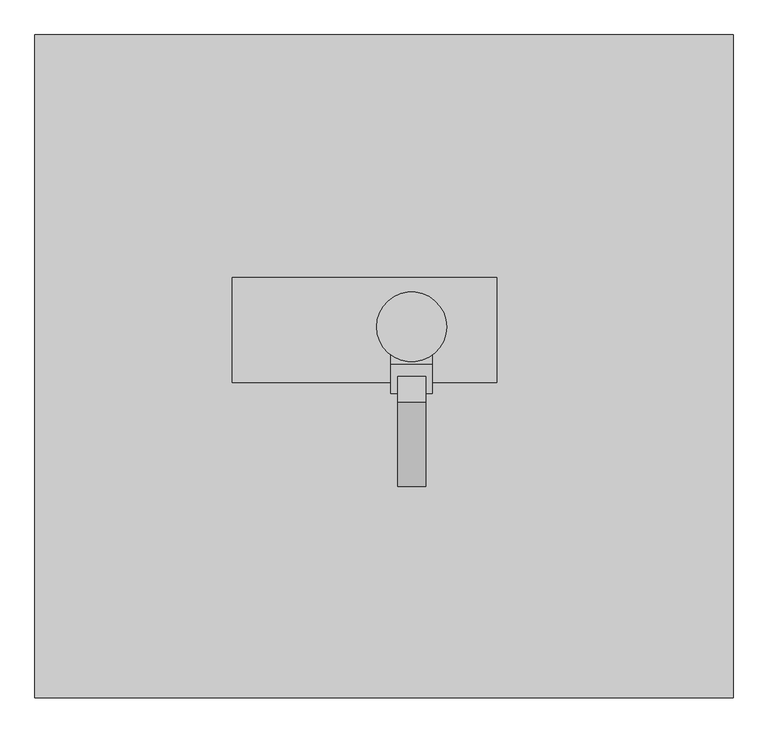
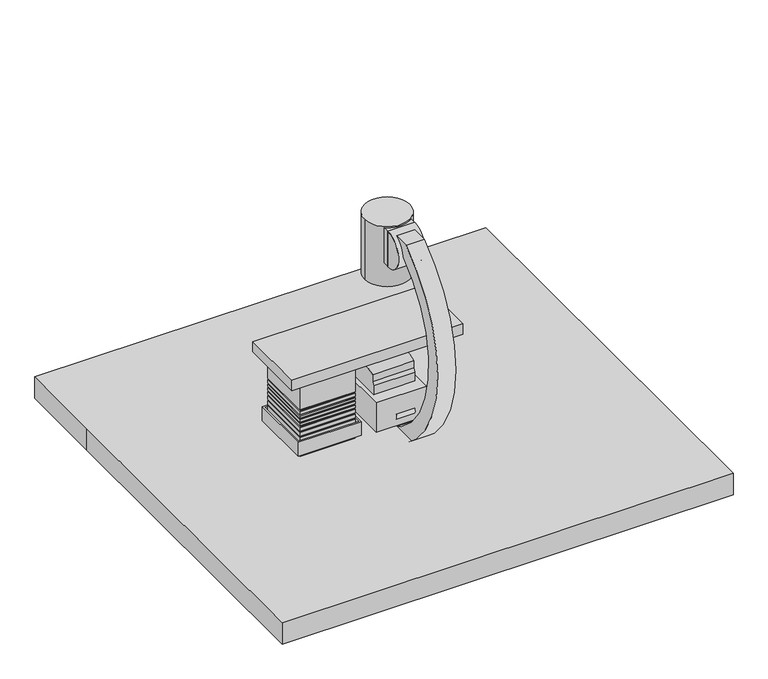
"""IFC4 building model written with IfcOpenShell, lengths in millimetres: proxy geometry."""

from ifc_helpers import new_model, si_unit, point, frame, frame_2d, origin, origin_with_axes, place, context, project, spatial, polyline, circle_curve, trimmed, segment, composite_curve, outline, extrude, faceted_brep, source, transform, mapped, element, save


def specialty_equipment_460810b5(model_context):
    return source(origin(), model_context, "Body", "SolidModel", [
        faceted_brep([(-427.9352872, -1738.6209262, 1347.7084524), (-427.9352872, -1738.6209262, 971.4619431), (-427.9352872, -1722.5019348, 971.4619431), (-427.9352872, -1722.5019348, 947.1090733), (-427.9352872, -1738.6209262, 947.1090733), (-427.9352872, -1738.6209262, 906.3232863), (-427.9352872, -1722.5019348, 906.3232863), (-427.9352872, -1722.5019348, 884.3512465), (-427.9352872, -1738.6209262, 884.3512465), (-427.9352872, -1738.6209262, 852.9626184), (-427.9352872, -1722.5019348, 852.9626184), (-427.9352872, -1722.5019348, 830.9905786), (-427.9352872, -1738.6209262, 830.9905786), (-427.9352872, -1738.6209262, 799.6019504), (-427.9352872, -1722.5019348, 799.6019504), (-427.9352872, -1722.5019348, 774.4910479), (-427.9352872, -1738.6209262, 774.4910479), (-427.9352872, -1738.6209262, 743.1024197), (-427.9352872, -1722.5019348, 743.1024197), (-427.9352872, -1722.5019348, 717.9915171), (-427.9352872, -1738.6209262, 717.9915171), (-427.9352872, -1738.6209262, 670.9085748), (-427.9352872, -1722.5019348, 670.9085748), (-427.9352872, -1722.5019348, 645.7976723), (-427.9352872, -1738.6209262, 645.7976723), (-427.9352872, -1738.6209262, 595.5758672), (-427.9352872, -1722.5019348, 595.5758672), (-427.9352872, -1722.5019348, 573.6038274), (-427.9352872, -1738.6209262, 573.6038274), (-427.9352872, -1738.6209262, 62.2185819), (-427.9352872, -985.8011882, 62.2185819), (-427.9352872, -985.8011882, 573.6038274), (-427.9352872, -1004.9519348, 573.6038274), (-427.9352872, -1004.9519348, 595.5758672), (-427.9352872, -985.8011882, 595.5758672), (-427.9352872, -985.8011882, 645.7976723), (-427.9352872, -1004.9519348, 645.7976723), (-427.9352872, -1004.9519348, 670.9085748), (-427.9352872, -985.8011882, 670.9085748), (-427.9352872, -985.8011882, 717.9915171), (-427.9352872, -1004.9519348, 717.9915171), (-427.9352872, -1004.9519348, 743.1024197), (-427.9352872, -985.8011882, 743.1024197), (-427.9352872, -985.8011882, 774.4910479), (-427.9352872, -1004.9519348, 774.4910479), (-427.9352872, -1004.9519348, 799.6019504), (-427.9352872, -985.8011882, 799.6019504), (-427.9352872, -985.8011882, 830.9905786), (-427.9352872, -1004.9519348, 830.9905786), (-427.9352872, -1004.9519348, 852.9626184), (-427.9352872, -985.8011882, 852.9626184), (-427.9352872, -985.8011882, 884.3512465), (-427.9352872, -1004.9519348, 884.3512465), (-427.9352872, -1004.9519348, 906.3232863), (-427.9352872, -985.8011882, 906.3232863), (-427.9352872, -985.8011882, 947.1090733), (-427.9352872, -1004.9519348, 947.1090733), (-427.9352872, -1004.9519348, 971.4619431), (-427.9352872, -985.8011882, 971.4619431), (-427.9352872, -985.8011882, 1347.7084524), (-1176.2609452, -1738.6209262, 62.2185819), (-1176.2609452, -1738.6209262, 573.6038274), (-1176.2609452, -985.8011882, 573.6038274), (-1176.2609452, -985.8011882, 62.2185819), (-1176.2609452, -985.8011882, 1347.7084524), (-1176.2609452, -985.8011882, 971.4619431), (-1176.2609452, -1738.6209262, 971.4619431), (-1176.2609452, -1738.6209262, 1347.7084524), (-1176.2609452, -985.8011882, 947.1090733), (-1176.2609452, -985.8011882, 906.3232863), (-1176.2609452, -1738.6209262, 906.3232863), (-1176.2609452, -1738.6209262, 947.1090733), (-1176.2609452, -985.8011882, 884.3512465), (-1176.2609452, -985.8011882, 852.9626184), (-1176.2609452, -1738.6209262, 852.9626184), (-1176.2609452, -1738.6209262, 884.3512465), (-1176.2609452, -985.8011882, 830.9905786), (-1176.2609452, -985.8011882, 799.6019504), (-1176.2609452, -1738.6209262, 799.6019504), (-1176.2609452, -1738.6209262, 830.9905786), (-1176.2609452, -1738.6209262, 595.5758672), (-1176.2609452, -1738.6209262, 645.7976723), (-1176.2609452, -985.8011882, 645.7976723), (-1176.2609452, -985.8011882, 595.5758672), (-1176.2609452, -1738.6209262, 670.9085748), (-1176.2609452, -1738.6209262, 717.9915171), (-1176.2609452, -985.8011882, 717.9915171), (-1176.2609452, -985.8011882, 670.9085748), (-1176.2609452, -1738.6209262, 743.1024197), (-1176.2609452, -1738.6209262, 774.4910479), (-1176.2609452, -985.8011882, 774.4910479), (-1176.2609452, -985.8011882, 743.1024197), (-1158.1852872, -1004.9519348, 971.4619431), (-1158.1852872, -1722.5019348, 971.4619431), (-1158.1852872, -1722.5019348, 947.1090733), (-1158.1852872, -1004.9519348, 947.1090733), (-1158.1852872, -1722.5019348, 884.3512465), (-1158.1852872, -1004.9519348, 884.3512465), (-1158.1852872, -1004.9519348, 906.3232863), (-1158.1852872, -1722.5019348, 906.3232863), (-1158.1852872, -1722.5019348, 830.9905786), (-1158.1852872, -1004.9519348, 830.9905786), (-1158.1852872, -1004.9519348, 852.9626184), (-1158.1852872, -1722.5019348, 852.9626184), (-1158.1852872, -1722.5019348, 573.6038274), (-1158.1852872, -1004.9519348, 573.6038274), (-1158.1852872, -1004.9519348, 595.5758672), (-1158.1852872, -1722.5019348, 595.5758672), (-1158.1852872, -1722.5019348, 645.7976723), (-1158.1852872, -1004.9519348, 645.7976723), (-1158.1852872, -1004.9519348, 670.9085748), (-1158.1852872, -1722.5019348, 670.9085748), (-1158.1852872, -1722.5019348, 717.9915171), (-1158.1852872, -1004.9519348, 717.9915171), (-1158.1852872, -1004.9519348, 743.1024197), (-1158.1852872, -1722.5019348, 743.1024197), (-1158.1852872, -1722.5019348, 774.4910479), (-1158.1852872, -1004.9519348, 774.4910479), (-1158.1852872, -1004.9519348, 799.6019504), (-1158.1852872, -1722.5019348, 799.6019504)], [[[0, 1, 2, 3, 4, 5, 6, 7, 8, 9, 10, 11, 12, 13, 14, 15, 16, 17, 18, 19, 20, 21, 22, 23, 24, 25, 26, 27, 28, 29, 30, 31, 32, 33, 34, 35, 36, 37, 38, 39, 40, 41, 42, 43, 44, 45, 46, 47, 48, 49, 50, 51, 52, 53, 54, 55, 56, 57, 58, 59]], [[60, 61, 62, 63]], [[64, 65, 66, 67]], [[68, 69, 70, 71]], [[72, 73, 74, 75]], [[76, 77, 78, 79]], [[80, 81, 82, 83]], [[84, 85, 86, 87]], [[88, 89, 90, 91]], [[29, 28, 61, 60]], [[25, 24, 81, 80]], [[21, 20, 85, 84]], [[17, 16, 89, 88]], [[67, 66, 1, 0]], [[71, 70, 5, 4]], [[75, 74, 9, 8]], [[79, 78, 13, 12]], [[59, 64, 67, 0]], [[59, 58, 65, 64]], [[55, 54, 69, 68]], [[51, 50, 73, 72]], [[47, 46, 77, 76]], [[63, 62, 31, 30]], [[83, 82, 35, 34]], [[87, 86, 39, 38]], [[91, 90, 43, 42]], [[29, 60, 63, 30]], [[2, 1, 66, 65, 58, 57, 92, 93]], [[56, 55, 68, 71, 4, 3, 94, 95]], [[57, 56, 95, 92]], [[92, 95, 94, 93]], [[93, 94, 3, 2]], [[52, 51, 72, 75, 8, 7, 96, 97]], [[6, 5, 70, 69, 54, 53, 98, 99]], [[97, 98, 53, 52]], [[96, 99, 98, 97]], [[7, 6, 99, 96]], [[48, 47, 76, 79, 12, 11, 100, 101]], [[10, 9, 74, 73, 50, 49, 102, 103]], [[101, 102, 49, 48]], [[100, 103, 102, 101]], [[11, 10, 103, 100]], [[32, 31, 62, 61, 28, 27, 104, 105]], [[26, 25, 80, 83, 34, 33, 106, 107]], [[105, 106, 33, 32]], [[104, 107, 106, 105]], [[27, 26, 107, 104]], [[36, 35, 82, 81, 24, 23, 108, 109]], [[22, 21, 84, 87, 38, 37, 110, 111]], [[109, 110, 37, 36]], [[108, 111, 110, 109]], [[23, 22, 111, 108]], [[40, 39, 86, 85, 20, 19, 112, 113]], [[18, 17, 88, 91, 42, 41, 114, 115]], [[113, 114, 41, 40]], [[112, 115, 114, 113]], [[19, 18, 115, 112]], [[44, 43, 90, 89, 16, 15, 116, 117]], [[14, 13, 78, 77, 46, 45, 118, 119]], [[117, 118, 45, 44]], [[116, 119, 118, 117]], [[15, 14, 119, 116]]]),
        extrude(outline(polyline([(-343.9372082, -901.7), (-343.9372082, -1816.1), (-1244.6, -1816.1), (-1244.6, -901.7), (-343.9372082, -901.7)])), origin_with_axes(), (0.0, 0.0, 1.0), 62.2185819),
        extrude(outline(polyline([(-3048.0, -4572.0), (-3048.0, 0.0), (-3048.0, 1219.2), (3048.0, 1219.2), (3048.0, -4572.0), (-3048.0, -4572.0)])), origin_with_axes(), (0.0, 0.0, 1.0), 304.8),
        extrude(outline(polyline([(-1216.8134446, -1776.7209262), (-1216.8134446, -938.5209262), (-365.9134446, -938.5209262), (-365.9134446, -1776.7209262), (-1216.8134446, -1776.7209262)]), holes=[polyline([(-1194.7893152, -961.4768742), (-1194.7893152, -1755.2268742), (-388.3393152, -1755.2268742), (-388.3393152, -961.4768742), (-1194.7893152, -961.4768742)])]), frame((0.0, 0.0, 347.9787233), z_axis=(0.0, 0.0, 1.0), x_axis=(1.0, 0.0, 0.0)), (0.0, 0.0, 1.0), 197.0626363),
        extrude(outline(composite_curve([segment(polyline([(-1143.0, 855.3997054), (-1143.0, 728.3997054), (-1600.2, 728.3997054), (-1600.2, 855.3997054), (-1574.8, 899.3937959), (-1574.8, 1000.9937959)]), True, "CONTINUOUS"), segment(trimmed(circle_curve(frame_2d((-1371.6, 515.024835)), 526.7409904), [point((-1574.8, 1000.9937959))], [point((-1168.4, 1000.9937959))], False, "CARTESIAN"), True, "CONTINUOUS"), segment(polyline([(-1168.4, 1000.9937959), (-1168.4, 899.3937959), (-1143.0, 855.3997054)]), True, "CONTINUOUS")], self_intersect=False)), frame((-96.6089196, 0.0, 0.0), z_axis=(1.0, 0.0, 0.0), x_axis=(0.0, 1.0, 0.0)), (0.0, 0.0, 1.0), 558.6069436),
        extrude(outline(polyline([(521.0004064, -1758.6324562), (-152.7244323, -1758.6324562), (-152.7244323, -1013.3179742), (521.0004064, -1013.3179742), (521.0004064, -1758.6324562)])), frame((0.0, 0.0, 206.5481965), z_axis=(0.0, 0.0, 1.0), x_axis=(1.0, 0.0, 0.0)), (0.0, 0.0, 1.0), 521.8515088),
        extrude(outline(composite_curve([segment(trimmed(circle_curve(frame_2d((-998.230078, 1608.4309073)), 1524.0), [point((-1913.1290422, 2827.2565246))], [point((-1596.5194941, 206.7798185))], True, "CARTESIAN"), True, "CONTINUOUS"), segment(polyline([(-1596.5194941, 206.7798185), (-1596.5194941, 384.5659194), (-1723.5510117, 384.5659194)]), True, "CONTINUOUS"), segment(trimmed(circle_curve(frame_2d((-1723.5510117, 435.3659194)), 50.8), [point((-1723.5510117, 384.5659194))], [point((-1723.5510117, 486.1659194))], False, "CARTESIAN"), True, "CONTINUOUS"), segment(polyline([(-1723.5510117, 486.1659194), (-1723.5510117, 663.9659194), (-1060.3044725, 663.9659194), (-1060.3044725, 154.8520447), (-1137.1181879, 154.8520447)]), True, "CONTINUOUS"), segment(trimmed(circle_curve(frame_2d((-1288.7714963, 154.8520447)), 151.6533085), [point((-1137.1181879, 154.8520447))], [point((-1288.7714963, 3.1987362))], False, "CARTESIAN"), True, "CONTINUOUS"), segment(polyline([(-1288.7714963, 3.1987362), (-1676.2914162, 19.8930067)]), True, "CONTINUOUS"), segment(trimmed(circle_curve(frame_2d((-998.230078, 1608.4309073)), 1727.2), [point((-1676.2914162, 19.8930067))], [point((-1986.8410487, 3024.717668))], False, "CARTESIAN"), True, "CONTINUOUS"), segment(polyline([(-1986.8410487, 3024.717668), (-1765.4141078, 3024.717668)]), True, "CONTINUOUS"), segment(trimmed(circle_curve(frame_2d((-1661.4541843, 2792.9670817)), 254.0), [point((-1765.4141078, 3024.717668))], [point((-1913.1290422, 2827.2565246))], True, "CARTESIAN"), True, "CONTINUOUS")], self_intersect=False)), frame((118.7374909, 0.0, 0.0), z_axis=(1.0, 0.0, 0.0), x_axis=(0.0, 1.0, 0.0)), (0.0, 0.0, 1.0), 244.8708291),
        extrude(outline(composite_curve([segment(polyline([(-1661.4541843, 3046.9670817), (-1661.4541843, 2538.9670817)]), True, "CONTINUOUS"), segment(trimmed(circle_curve(frame_2d((-1661.4541843, 2792.9670817)), 254.0), [point((-1661.4541843, 2538.9670817))], [point((-1661.4541843, 3046.9670817))], False, "CARTESIAN"), True, "CONTINUOUS")], self_intersect=False)), frame((60.9939341, 0.0, 0.0), z_axis=(1.0, 0.0, 0.0), x_axis=(0.0, 1.0, 0.0)), (0.0, 0.0, 1.0), 360.7615242),
        extrude(outline(composite_curve([segment(polyline([(-1661.4541843, 2542.7084961), (-1661.4541843, 3043.2256672), (-1574.8989515, 3043.2256672)]), True, "CONTINUOUS"), segment(trimmed(circle_curve(frame_2d((-987.525568, 3069.953862)), 587.981197), [point((-1574.8989515, 3043.2256672))], [point((-1325.0651209, 2588.5092253))], True, "CARTESIAN"), True, "CONTINUOUS"), segment(polyline([(-1325.0651209, 2588.5092253), (-1325.0651209, 2542.7084961), (-1661.4541843, 2542.7084961)]), True, "CONTINUOUS")], self_intersect=False)), frame((60.9939341, 0.0, 0.0), z_axis=(1.0, 0.0, 0.0), x_axis=(0.0, 1.0, 0.0)), (0.0, 0.0, 1.0), 360.7615242),
        extrude(outline(composite_curve([segment(trimmed(circle_curve(frame_2d((241.1732939, -1331.9813245)), 304.8), [point((-63.6267061, -1331.9813245))], [point((545.9732939, -1331.9813245))], False, "CARTESIAN"), True, "CONTINUOUS"), segment(trimmed(circle_curve(frame_2d((241.1732939, -1331.9813245)), 304.8), [point((545.9732939, -1331.9813245))], [point((-63.6267061, -1331.9813245))], False, "CARTESIAN"), True, "CONTINUOUS")], self_intersect=False)), frame((0.0, 0.0, 2204.1315998), z_axis=(0.0, 0.0, 1.0), x_axis=(1.0, 0.0, 0.0)), (0.0, 0.0, 1.0), 856.1455629),
        extrude(outline(polyline([(982.7390548, -1816.1), (-1324.6921331, -1816.1), (-1324.6921331, -901.7), (982.7390548, -901.7), (982.7390548, -1816.1)])), frame((0.0, 0.0, 1345.3745965), z_axis=(0.0, 0.0, 1.0), x_axis=(1.0, 0.0, 0.0)), (0.0, 0.0, 1.0), 147.2961651),
    ])


if __name__ == "__main__":
    model = new_model("IFC4")
    model_context = context("Model", 3, world=origin())
    ifc_project = project(units=[si_unit("LENGTHUNIT", "METRE", prefix="MILLI")], contexts=[model_context])
    site = spatial("IfcSite", under=ifc_project)
    building = spatial("IfcBuilding", under=site)
    placement = place(None, origin())
    specialty_equipment_shape = specialty_equipment_460810b5(model_context)
    element("IfcBuildingElementProxy", 1, Name="Specialty Equipment", at=placement, inside=building, context=model_context, shape_type="MappedRepresentation", body=[
        mapped(specialty_equipment_shape, transform((0.0, 0.0, 0.0), x_axis=(1.0, 0.0, 0.0), y_axis=(0.0, 1.0, 0.0), z_axis=(0.0, 0.0, 1.0))),
    ])
    save(model, "model.ifc")
